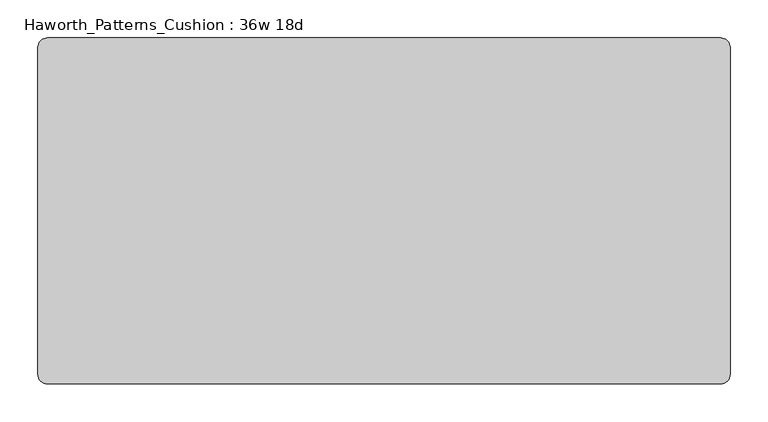
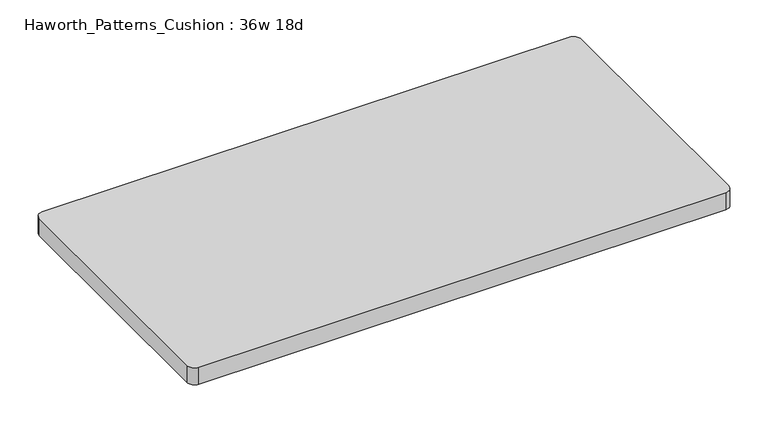
"""IFC4 building model written with IfcOpenShell, lengths in millimetres: furniture geometry, Haworth_Patterns_Cushion : 36w 18d."""

from ifc_helpers import new_model, si_unit, point, frame, frame_2d, origin, place, context, project, spatial, polyline, circle_curve, trimmed, segment, composite_curve, outline, extrude, source, transform, mapped, element, save


def haworth_patterns_cushion_36w_18d_2eb418bc(model_context):
    return source(origin(), model_context, "Body", "SweptSolid", [
        extrude(outline(composite_curve([segment(trimmed(circle_curve(frame_2d((444.5, 215.9)), 12.7), [point((444.5, 228.6))], [point((457.2, 215.9))], False, "CARTESIAN"), True, "CONTINUOUS"), segment(polyline([(457.2, 215.9), (457.2, -215.9)]), True, "CONTINUOUS"), segment(trimmed(circle_curve(frame_2d((444.5, -215.9)), 12.7), [point((457.2, -215.9))], [point((444.5, -228.6))], False, "CARTESIAN"), True, "CONTINUOUS"), segment(polyline([(444.5, -228.6), (-444.5, -228.6)]), True, "CONTINUOUS"), segment(trimmed(circle_curve(frame_2d((-444.5, -215.9)), 12.7), [point((-444.5, -228.6))], [point((-457.2, -215.9))], False, "CARTESIAN"), True, "CONTINUOUS"), segment(polyline([(-457.2, -215.9), (-457.2, 215.9)]), True, "CONTINUOUS"), segment(trimmed(circle_curve(frame_2d((-444.5, 215.9)), 12.7), [point((-457.2, 215.9))], [point((-444.5, 228.6))], False, "CARTESIAN"), True, "CONTINUOUS"), segment(polyline([(-444.5, 228.6), (444.5, 228.6)]), True, "CONTINUOUS")], self_intersect=False)), frame((0.0, 0.0, 609.6), z_axis=(0.0, 0.0, 1.0), x_axis=(1.0, 0.0, 0.0)), (0.0, 0.0, 1.0), 30.1625),
    ])


if __name__ == "__main__":
    model = new_model("IFC4")
    model_context = context("Model", 3, world=origin())
    ifc_project = project(units=[si_unit("LENGTHUNIT", "METRE", prefix="MILLI")], contexts=[model_context])
    site = spatial("IfcSite", under=ifc_project)
    building = spatial("IfcBuilding", under=site)
    placement = place(None, origin())
    haworth_patterns_cushion_36w_18d_shape = haworth_patterns_cushion_36w_18d_2eb418bc(model_context)
    element("IfcFurniture", 1, ObjectType="Haworth_Patterns_Cushion : 36w 18d", at=placement, inside=building, context=model_context, shape_type="MappedRepresentation", body=[
        mapped(haworth_patterns_cushion_36w_18d_shape, transform((0.0, 0.0, 0.0), x_axis=(1.0, 0.0, 0.0), y_axis=(0.0, 1.0, 0.0), z_axis=(0.0, 0.0, 1.0))),
    ])
    save(model, "model.ifc")
